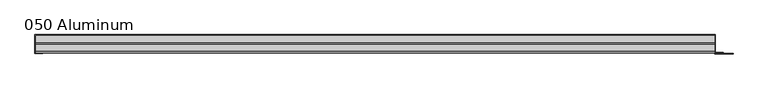
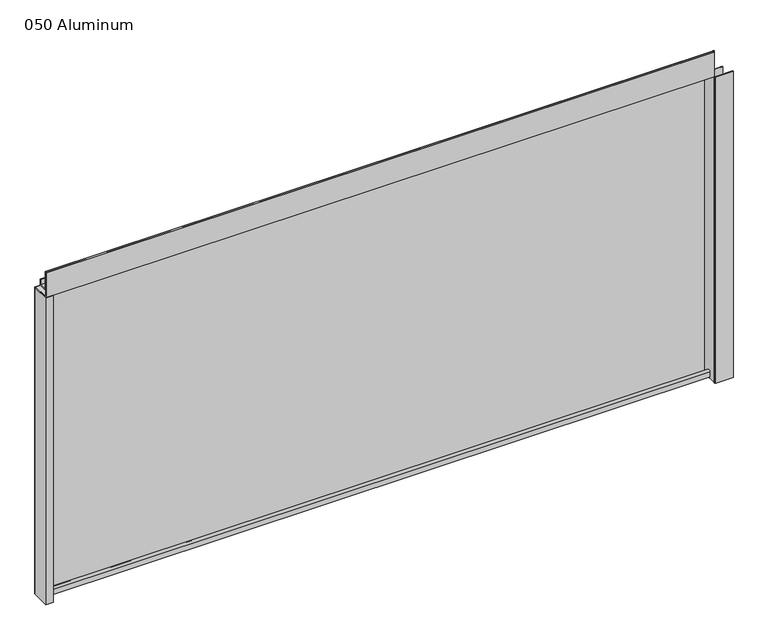
"""IFC4 building model written with IfcOpenShell, lengths in millimetres: plate geometry, 050 Aluminum."""

import ifcopenshell
import ifcopenshell.guid

model = None  # the IFC model being written
_history = None  # IfcOwnerHistory: only IFC2X3 demands one
_inside = {}  # id of a spatial element -> (the spatial element, [elements in it])
_under = {}  # id of a project, library or spatial element -> (it, [spatial elements below it])
_declared = {}  # id of a project -> (the project, [libraries it declares])
_typed = {}  # id of a type object -> (the type object, [elements of that type])
_made_of = {}  # id of a material, layer set ... -> (it, [elements and type objects made of it])


def new_model(schema):
    """Start an empty IFC model of exactly this schema.

    Asked for "IFC4X3", IfcOpenShell would pick the latest addendum, in which some entities
    have other attributes; the version numbers below select the first issue.
    IFC2X3 requires an IfcOwnerHistory on every rooted entity: one is made here for all.
    """
    global model, _history
    if schema == "IFC4X3":
        model = ifcopenshell.file(schema_version=(4, 3, 0, 0))
    else:
        model = ifcopenshell.file(schema=schema)
    _inside.clear()
    _under.clear()
    _declared.clear()
    _typed.clear()
    _made_of.clear()
    _history = None
    if model.schema == "IFC2X3":
        org = make("IfcOrganization", Name="unknown")
        user = make(
            "IfcPersonAndOrganization",
            ThePerson=make("IfcPerson", FamilyName="unknown"),
            TheOrganization=org,
        )
        app = make(
            "IfcApplication",
            ApplicationDeveloper=org,
            Version="unknown",
            ApplicationFullName="unknown",
            ApplicationIdentifier="unknown",
        )
        _history = make(
            "IfcOwnerHistory",
            OwningUser=user,
            OwningApplication=app,
            ChangeAction="ADDED",
            CreationDate=0,
        )
    return model


def make(cls, **values):
    """One entity of the class cls with the attributes given. An attribute that is None is left unset."""
    return model.create_entity(
        cls, **{name: value for name, value in values.items() if value is not None}
    )


def rooted(cls, **values):
    """An entity with a GlobalId (a new one), such as an element, a storey or a relation."""
    return make(cls, GlobalId=ifcopenshell.guid.new(), OwnerHistory=_history, **values)


def si_unit(unit_type, name, prefix=None):
    """IfcSIUnit, for example si_unit("LENGTHUNIT", "METRE", prefix="MILLI")."""
    return make("IfcSIUnit", UnitType=unit_type, Prefix=prefix, Name=name)


def assignment(units):
    """IfcUnitAssignment: the units of a project."""
    return None if units is None else make("IfcUnitAssignment", Units=units)


def point(xyz):
    """IfcCartesianPoint."""
    return None if xyz is None else make("IfcCartesianPoint", Coordinates=xyz)


def direction(xyz):
    """IfcDirection."""
    return None if xyz is None else make("IfcDirection", DirectionRatios=xyz)


def frame(location, z_axis=None, x_axis=None):
    """IfcAxis2Placement3D, a coordinate frame: its origin and axes. An axis left out is left unset."""
    return make(
        "IfcAxis2Placement3D",
        Location=point(location),
        Axis=direction(z_axis),
        RefDirection=direction(x_axis),
    )


def frame_2d(location, x_axis=None):
    """IfcAxis2Placement2D, a coordinate frame in the plane: its origin and x axis."""
    return make(
        "IfcAxis2Placement2D", Location=point(location), RefDirection=direction(x_axis)
    )


def origin():
    """The frame at (0, 0, 0) with its axes left unset."""
    return frame((0.0, 0.0, 0.0))


def origin_with_axes():
    """The frame at (0, 0, 0) with the z axis (0, 0, 1) and the x axis (1, 0, 0) written out."""
    return frame((0.0, 0.0, 0.0), z_axis=(0.0, 0.0, 1.0), x_axis=(1.0, 0.0, 0.0))


def place(relative_to, where):
    """IfcLocalPlacement: puts the frame where relative to a parent placement (None: the world)."""
    return make(
        "IfcLocalPlacement", PlacementRelTo=relative_to, RelativePlacement=where
    )


def context(
    kind, dimensions, precision=None, world=None, true_north=None, identifier=None
):
    """IfcGeometricRepresentationContext, for example the 3D "Model" context."""
    return make(
        "IfcGeometricRepresentationContext",
        ContextIdentifier=identifier,
        ContextType=kind,
        CoordinateSpaceDimension=dimensions,
        Precision=precision,
        WorldCoordinateSystem=world,
        TrueNorth=true_north,
    )


def project(units=None, contexts=None):
    """IfcProject with its units and contexts."""
    return rooted(
        "IfcProject",
        Name="project",
        RepresentationContexts=contexts,
        UnitsInContext=assignment(units),
    )


def spatial(cls, under=None, at=None, **own):
    """A site, building, storey or space (cls), placed at a placement, below another one or the project."""
    s = rooted(cls, ObjectPlacement=at, **own)
    if under is not None:
        _under.setdefault(under.id(), (under, []))[1].append(s)
    return s


def polyline(points):
    """IfcPolyline through the points."""
    return make("IfcPolyline", Points=[point(p) for p in points])


def circle_curve(where, radius):
    """IfcCircle in the frame where."""
    return make("IfcCircle", Position=where, Radius=radius)


def trimmed(basis, trim1, trim2, sense, master):
    """IfcTrimmedCurve: the piece of a basis curve between two trims."""
    return make(
        "IfcTrimmedCurve",
        BasisCurve=basis,
        Trim1=trim1,
        Trim2=trim2,
        SenseAgreement=sense,
        MasterRepresentation=master,
    )


def segment(curve, same_sense, transition):
    """IfcCompositeCurveSegment."""
    return make(
        "IfcCompositeCurveSegment",
        Transition=transition,
        SameSense=same_sense,
        ParentCurve=curve,
    )


def composite_curve(segments, self_intersect=None):
    """IfcCompositeCurve: segments joined end to end."""
    return make("IfcCompositeCurve", Segments=segments, SelfIntersect=self_intersect)


def outline(outer, holes=None, kind="AREA"):
    """IfcArbitraryClosedProfileDef: a profile drawn as a closed curve; with holes, ...WithVoids."""
    if holes is None:
        return make("IfcArbitraryClosedProfileDef", ProfileType=kind, OuterCurve=outer)
    return make(
        "IfcArbitraryProfileDefWithVoids",
        ProfileType=kind,
        OuterCurve=outer,
        InnerCurves=holes,
    )


def extrude(swept, where, along, depth):
    """IfcExtrudedAreaSolid: the profile swept, set in the frame where, extruded along a direction by depth."""
    return make(
        "IfcExtrudedAreaSolid",
        SweptArea=swept,
        Position=where,
        ExtrudedDirection=direction(along),
        Depth=depth,
    )


def shape(context_of_items, identifier, shape_type, items):
    """IfcShapeRepresentation: the items that make up one representation, for example the "Body"."""
    return make(
        "IfcShapeRepresentation",
        ContextOfItems=context_of_items,
        RepresentationIdentifier=identifier,
        RepresentationType=shape_type,
        Items=items,
    )


def source(mapping_origin, context_of_items, identifier, shape_type, items):
    """IfcRepresentationMap: a shape defined once, which mapped items show again and again."""
    return make(
        "IfcRepresentationMap",
        MappingOrigin=mapping_origin,
        MappedRepresentation=shape(context_of_items, identifier, shape_type, items),
    )


def transform(
    local_origin,
    x_axis=None,
    y_axis=None,
    z_axis=None,
    scale=None,
    scale2=None,
    scale3=None,
    uniform=True,
):
    """IfcCartesianTransformationOperator3D, or its non-uniform kind. x_axis, y_axis, z_axis: its Axis1, 2, 3."""
    if uniform:
        return make(
            "IfcCartesianTransformationOperator3D",
            Axis1=direction(x_axis),
            Axis2=direction(y_axis),
            LocalOrigin=point(local_origin),
            Scale=scale,
            Axis3=direction(z_axis),
        )
    return make(
        "IfcCartesianTransformationOperator3DnonUniform",
        Axis1=direction(x_axis),
        Axis2=direction(y_axis),
        LocalOrigin=point(local_origin),
        Scale=scale,
        Axis3=direction(z_axis),
        Scale2=scale2,
        Scale3=scale3,
    )


def mapped(mapping_source, mapping_target):
    """IfcMappedItem: shows the shape of a source again, moved by a transform."""
    return make(
        "IfcMappedItem", MappingSource=mapping_source, MappingTarget=mapping_target
    )


def made_of(thing, what):
    """Note that an element or type object is made of a material, layer set ...; save() writes the relation."""
    if what is not None:
        _made_of.setdefault(what.id(), (what, []))[1].append(thing)
    return thing


def element(
    cls,
    number,
    at=None,
    inside=None,
    cuts=None,
    type_object=None,
    material=None,
    context=None,
    identifier="Body",
    shape_type=None,
    held_by="IfcProductDefinitionShape",
    body=None,
    shapes=None,
    **own,
):
    """One element of the class cls, such as IfcWall. Its Tag is "e" and its number.

    at: its placement. inside: the storey or other place that contains it. cuts: it is an
    opening in that element (IfcRelVoidsElement). A single representation is given by context,
    identifier, shape_type and body (its items); several are given by shapes. held_by: the class
    of the entity that holds the representations. save() writes the other relations.
    """
    e = rooted(cls, Tag="e%d" % number, ObjectPlacement=at, **own)
    if body is not None:
        shapes = [shape(context, identifier, shape_type, body)]
    if shapes is not None:
        e.Representation = make(held_by, Representations=shapes)
    if inside is not None:
        _inside.setdefault(inside.id(), (inside, []))[1].append(e)
    if cuts is not None:
        rooted(
            "IfcRelVoidsElement", RelatingBuildingElement=cuts, RelatedOpeningElement=e
        )
    if type_object is not None:
        _typed.setdefault(type_object.id(), (type_object, []))[1].append(e)
    return made_of(e, material)


def aggregate(whole, parts):
    """IfcRelAggregates: a whole, such as a stair, and the parts it consists of."""
    return rooted("IfcRelAggregates", RelatingObject=whole, RelatedObjects=parts)


def save(model, path):
    """Write the relations noted so far, then the file.

    IfcRelAggregates (storeys below a building ...), IfcRelContainedInSpatialStructure (elements
    in a storey), IfcRelDefinesByType, IfcRelAssociatesMaterial and IfcRelDeclares: one each for
    every whole, place, type object, material and project.
    """
    for whole, parts in _under.values():
        aggregate(whole, parts)
    for where, things in _inside.values():
        rooted(
            "IfcRelContainedInSpatialStructure",
            RelatedElements=things,
            RelatingStructure=where,
        )
    for kind, things in _typed.values():
        rooted("IfcRelDefinesByType", RelatedObjects=things, RelatingType=kind)
    for what, things in _made_of.values():
        rooted("IfcRelAssociatesMaterial", RelatedObjects=things, RelatingMaterial=what)
    for by, libraries in _declared.values():
        rooted("IfcRelDeclares", RelatingContext=by, RelatedDefinitions=libraries)
    model.write(path)


def plate_050_aluminum_b6905968(model_context):
    return source(origin(), model_context, "Body", "SweptSolid", [
        extrude(outline(polyline([(-633.2008333, 2.5660257), (-620.3103328, 2.5660257), (-620.3103328, 1.2699999), (-634.4708333, 1.2699999), (-634.4708333, 34.7980001), (-633.2008333, 34.7980001), (-633.2008333, 2.5660257)])), origin_with_axes(), (0.0, 0.0, 1.0), 608.33),
        extrude(outline(composite_curve([segment(trimmed(circle_curve(frame_2d((19.8514743, 13.124237)), 3.175), [point((16.6765477, 13.1458337))], [point((23.0264743, 13.124237))], False, "CARTESIAN"), True, "CONTINUOUS"), segment(polyline([(23.0264743, 13.124237), (23.0264743, 1.2693678), (34.7980002, 1.2693678), (34.7980002, 0.0), (21.7564743, 0.0), (21.7564743, 13.124237)]), True, "CONTINUOUS"), segment(trimmed(circle_curve(frame_2d((19.8514743, 13.124237)), 1.905), [point((21.7564743, 13.124237))], [point((17.9464915, 13.1323356))], True, "CARTESIAN"), True, "CONTINUOUS"), segment(polyline([(17.9464915, 13.1323356), (17.9464915, 2.786437), (16.6765477, 2.786437), (16.6765477, 13.1458337)]), True, "CONTINUOUS")], self_intersect=False)), frame((-633.2008333, 0.0, 0.0), z_axis=(1.0, 0.0, 0.0), x_axis=(0.0, 1.0, 0.0)), (0.0, 0.0, 1.0), 1253.7016667),
        extrude(outline(composite_curve([segment(trimmed(circle_curve(frame_2d((3.7084742, 656.7932001)), 1.6509999), [point((2.0574743, 656.7932001))], [point((5.3594742, 656.7932001))], False, "CARTESIAN"), True, "CONTINUOUS"), segment(polyline([(5.3594742, 656.7932001), (5.3594742, 623.57), (19.2164743, 623.57), (19.2164743, 633.6538), (20.4864742, 633.6538), (20.4864742, 622.3), (4.0894742, 622.3), (4.0894742, 656.7932001)]), True, "CONTINUOUS"), segment(trimmed(circle_curve(frame_2d((3.7084742, 656.7932001)), 0.3809999), [point((4.0894742, 656.7932001))], [point((3.3274743, 656.7932001))], True, "CARTESIAN"), True, "CONTINUOUS"), segment(polyline([(3.3274743, 656.7932001), (3.3274743, 609.6000001), (34.7980002, 609.6000001), (34.7980002, 608.33), (2.0574743, 608.33), (2.0574743, 656.7932001)]), True, "CONTINUOUS")], self_intersect=False)), frame((-633.2008333, 0.0, 0.0), z_axis=(1.0, 0.0, 0.0), x_axis=(0.0, 1.0, 0.0)), (0.0, 0.0, 1.0), 1253.7016667),
        extrude(outline(polyline([(-634.4708333, 36.068), (621.7708333, 36.068), (621.7708333, 34.7980001), (-634.4708333, 34.7980001), (-634.4708333, 36.068)])), origin_with_axes(), (0.0, 0.0, 1.0), 609.6),
        extrude(outline(polyline([(621.7708333, 1.2699999), (654.282919, 1.2699999), (654.282919, 0.0), (620.5008334, 0.0), (620.5008334, 34.7980002), (621.7708333, 34.7980002), (621.7708333, 1.2699999)])), origin_with_axes(), (0.0, 0.0, 1.0), 608.33),
        extrude(outline(polyline([(620.5008333, 3.3274743), (636.2488332, 3.3274743), (636.2488332, 2.0574743), (620.5008333, 2.0574743), (620.5008333, 3.3274743)])), origin_with_axes(), (0.0, 0.0, 1.0), 622.3),
    ])


if __name__ == "__main__":
    model = new_model("IFC4")
    model_context = context("Model", 3, world=origin())
    ifc_project = project(units=[si_unit("LENGTHUNIT", "METRE", prefix="MILLI")], contexts=[model_context])
    site = spatial("IfcSite", under=ifc_project)
    building = spatial("IfcBuilding", under=site)
    placement = place(None, origin())
    plate_050_aluminum_shape = plate_050_aluminum_b6905968(model_context)
    element("IfcPlate", 1, ObjectType="050 Aluminum", at=placement, inside=building, context=model_context, shape_type="MappedRepresentation", body=[
        mapped(plate_050_aluminum_shape, transform((0.0, 0.0, 0.0), x_axis=(1.0, 0.0, 0.0), y_axis=(0.0, 1.0, 0.0), z_axis=(0.0, 0.0, 1.0))),
    ])
    save(model, "model.ifc")
